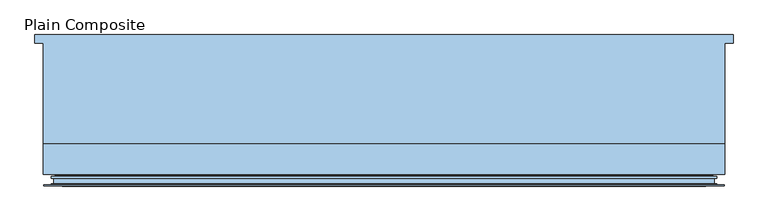
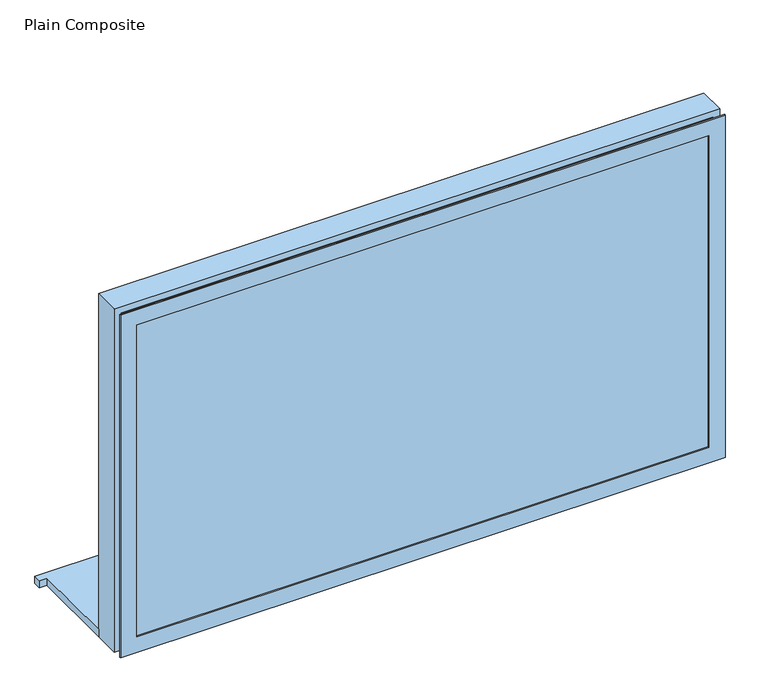
"""IFC4 building model written with IfcOpenShell, lengths in millimetres: window geometry, Plain Composite."""

from ifc_helpers import new_model, si_unit, frame, origin, place, context, project, spatial, polyline, outline, extrude, faceted_brep, source, transform, mapped, element, save


def plain_composite_40e66e8b(model_context):
    return source(origin(), model_context, "Body", "SolidModel", [
        extrude(outline(polyline([(-1315.0, 226.5434322), (735.0, 226.5434322), (735.0, 201.5434322), (710.0, 201.5434322), (710.0, -94.4565678), (-1290.0, -94.4565678), (-1290.0, 201.5434322), (-1315.0, 201.5434322), (-1315.0, 226.5434322)])), frame((0.0, 0.0, 910.0), z_axis=(0.0, 0.0, 1.0), x_axis=(1.0, 0.0, 0.0)), (0.0, 0.0, 1.0), 25.0),
        extrude(outline(polyline([(667.0, -188.4565678), (667.0, -212.4565678), (-1247.0, -212.4565678), (-1247.0, -188.4565678), (667.0, -188.4565678)])), frame((0.0, 0.0, 953.0), z_axis=(0.0, 0.0, 1.0), x_axis=(1.0, 0.0, 0.0)), (0.0, 0.0, 1.0), 1114.0),
        faceted_brep([(-1235.0, -212.4565678, 965.0), (-1235.0, -212.4565678, 2055.0), (-1235.0, -218.4565678, 2055.0), (-1235.0, -218.4565678, 965.0), (-1247.0, -188.4565678, 953.0), (-1247.0, -188.4565678, 2067.0), (-1247.0, -212.4565678, 2067.0), (-1247.0, -212.4565678, 953.0), (-1235.0, -165.4565678, 965.0), (-1235.0, -165.4565678, 2055.0), (-1235.0, -188.4565678, 2055.0), (-1235.0, -188.4565678, 965.0), (-1257.3761005, -168.766907, 942.6238995), (-1257.3761005, -168.766907, 2077.3761005), (-1257.3761005, -165.4565678, 2077.3761005), (-1257.3761005, -165.4565678, 942.6238995), (-1255.3055676, -169.9623297, 944.6944324), (-1255.3055676, -169.9623297, 2075.3055676), (-1255.3055676, -187.3525929, 944.6944324), (-1255.3055676, -187.3525929, 2075.3055676), (-1260.0, -192.0470253, 940.0), (-1260.0, -192.0470253, 2080.0), (-1265.0, -190.0470253, 935.0), (-1265.0, -190.0470253, 2085.0), (-1265.0, -192.0470253, 2085.0), (-1265.0, -192.0470253, 935.0), (-1267.0, -196.0470253, 933.0), (-1267.0, -196.0470253, 2087.0), (-1267.0, -190.0470253, 2087.0), (-1267.0, -190.0470253, 933.0), (-1265.0, -194.0470253, 935.0), (-1265.0, -194.0470253, 2085.0), (-1265.0, -196.0470253, 2085.0), (-1265.0, -196.0470253, 935.0), (-1260.0, -214.4565678, 940.0), (-1260.0, -214.4565678, 2080.0), (-1260.0, -194.0470253, 2080.0), (-1260.0, -194.0470253, 940.0), (-1265.0, -212.4565678, 935.0), (-1265.0, -212.4565678, 2085.0), (-1265.0, -214.4565678, 2085.0), (-1265.0, -214.4565678, 935.0), (-1267.0, -216.4565678, 933.0), (-1267.0, -216.4565678, 2087.0), (-1267.0, -212.4565678, 2087.0), (-1267.0, -212.4565678, 933.0), (-1287.0, -214.4565678, 913.0), (-1287.0, -214.4565678, 2107.0), (-1287.0, -216.4565678, 2107.0), (-1287.0, -216.4565678, 913.0), (-1289.0, -218.4565678, 911.0), (-1289.0, -218.4565678, 2109.0), (-1289.0, -214.4565678, 2109.0), (-1289.0, -214.4565678, 911.0), (655.0, -212.4565678, 2055.0), (655.0, -218.4565678, 2055.0), (667.0, -188.4565678, 2067.0), (667.0, -212.4565678, 2067.0), (655.0, -165.4565678, 2055.0), (655.0, -188.4565678, 2055.0), (677.3761005, -168.766907, 2077.3761005), (677.3761005, -165.4565678, 2077.3761005), (675.3055676, -169.9623297, 2075.3055676), (675.3055676, -187.3525929, 2075.3055676), (680.0, -192.0470253, 2080.0), (685.0, -190.0470253, 2085.0), (685.0, -192.0470253, 2085.0), (687.0, -196.0470253, 2087.0), (687.0, -190.0470253, 2087.0), (685.0, -194.0470253, 2085.0), (685.0, -196.0470253, 2085.0), (680.0, -214.4565678, 2080.0), (680.0, -194.0470253, 2080.0), (685.0, -212.4565678, 2085.0), (685.0, -214.4565678, 2085.0), (687.0, -216.4565678, 2087.0), (687.0, -212.4565678, 2087.0), (707.0, -214.4565678, 2107.0), (707.0, -216.4565678, 2107.0), (709.0, -218.4565678, 2109.0), (709.0, -214.4565678, 2109.0), (655.0, -212.4565678, 965.0), (655.0, -218.4565678, 965.0), (667.0, -188.4565678, 953.0), (667.0, -212.4565678, 953.0), (655.0, -165.4565678, 965.0), (655.0, -188.4565678, 965.0), (677.3761005, -168.766907, 942.6238995), (677.3761005, -165.4565678, 942.6238995), (675.3055676, -169.9623297, 944.6944324), (675.3055676, -187.3525929, 944.6944324), (680.0, -192.0470253, 940.0), (685.0, -190.0470253, 935.0), (685.0, -192.0470253, 935.0), (687.0, -196.0470253, 933.0), (687.0, -190.0470253, 933.0), (685.0, -194.0470253, 935.0), (685.0, -196.0470253, 935.0), (680.0, -214.4565678, 940.0), (680.0, -194.0470253, 940.0), (685.0, -212.4565678, 935.0), (685.0, -214.4565678, 935.0), (687.0, -216.4565678, 933.0), (687.0, -212.4565678, 933.0), (707.0, -214.4565678, 913.0), (707.0, -216.4565678, 913.0), (709.0, -218.4565678, 911.0), (709.0, -214.4565678, 911.0)], [[[0, 1, 2, 3]], [[4, 5, 6, 7]], [[8, 9, 10, 11]], [[12, 13, 14, 15]], [[16, 17, 13, 12]], [[18, 19, 17, 16]], [[20, 21, 19, 18]], [[22, 23, 24, 25]], [[26, 27, 28, 29]], [[30, 31, 32, 33]], [[34, 35, 36, 37]], [[38, 39, 40, 41]], [[42, 43, 44, 45]], [[46, 47, 48, 49]], [[50, 51, 52, 53]], [[1, 54, 55, 2]], [[5, 56, 57, 6]], [[9, 58, 59, 10]], [[13, 60, 61, 14]], [[17, 62, 60, 13]], [[19, 63, 62, 17]], [[21, 64, 63, 19]], [[23, 65, 66, 24]], [[27, 67, 68, 28]], [[31, 69, 70, 32]], [[35, 71, 72, 36]], [[39, 73, 74, 40]], [[43, 75, 76, 44]], [[47, 77, 78, 48]], [[51, 79, 80, 52]], [[54, 81, 82, 55]], [[56, 83, 84, 57]], [[58, 85, 86, 59]], [[60, 87, 88, 61]], [[62, 89, 87, 60]], [[63, 90, 89, 62]], [[64, 91, 90, 63]], [[65, 92, 93, 66]], [[67, 94, 95, 68]], [[69, 96, 97, 70]], [[71, 98, 99, 72]], [[73, 100, 101, 74]], [[75, 102, 103, 76]], [[77, 104, 105, 78]], [[79, 106, 107, 80]], [[51, 50, 106, 79], [3, 2, 55, 82]], [[81, 0, 3, 82]], [[7, 6, 57, 84], [1, 0, 81, 54]], [[83, 4, 7, 84]], [[5, 4, 83, 56], [11, 10, 59, 86]], [[85, 8, 11, 86]], [[15, 14, 61, 88], [9, 8, 85, 58]], [[87, 12, 15, 88]], [[89, 16, 12, 87]], [[90, 18, 16, 89]], [[91, 20, 18, 90]], [[25, 24, 66, 93], [21, 20, 91, 64]], [[92, 22, 25, 93]], [[29, 28, 68, 95], [23, 22, 92, 65]], [[94, 26, 29, 95]], [[27, 26, 94, 67], [33, 32, 70, 97]], [[96, 30, 33, 97]], [[31, 30, 96, 69], [37, 36, 72, 99]], [[98, 34, 37, 99]], [[41, 40, 74, 101], [35, 34, 98, 71]], [[100, 38, 41, 101]], [[45, 44, 76, 103], [39, 38, 100, 73]], [[102, 42, 45, 103]], [[49, 48, 78, 105], [43, 42, 102, 75]], [[104, 46, 49, 105]], [[53, 52, 80, 107], [47, 46, 104, 77]], [[106, 50, 53, 107]]]),
        faceted_brep([(-1290.0, -184.4565678, 910.0), (-1290.0, -184.4565678, 2110.0), (-1290.0, -94.4565678, 2110.0), (-1290.0, -94.4565678, 910.0), (-1265.0, -164.4565678, 935.0), (-1265.0, -164.4565678, 2085.0), (-1267.8108167, -184.4565678, 2087.8108167), (-1267.8108167, -184.4565678, 932.1891833), (-1240.0, -94.4565678, 960.0), (-1240.0, -94.4565678, 2060.0), (-1240.0, -164.4565678, 2060.0), (-1240.0, -164.4565678, 960.0), (710.0, -184.4565678, 2110.0), (710.0, -94.4565678, 2110.0), (685.0, -164.4565678, 2085.0), (687.8108167, -184.4565678, 2087.8108167), (660.0, -94.4565678, 2060.0), (660.0, -164.4565678, 2060.0), (710.0, -184.4565678, 910.0), (710.0, -94.4565678, 910.0), (685.0, -164.4565678, 935.0), (687.8108167, -184.4565678, 932.1891833), (660.0, -94.4565678, 960.0), (660.0, -164.4565678, 960.0)], [[[0, 1, 2, 3]], [[4, 5, 6, 7]], [[8, 9, 10, 11]], [[1, 12, 13, 2]], [[5, 14, 15, 6]], [[9, 16, 17, 10]], [[12, 18, 19, 13]], [[14, 20, 21, 15]], [[16, 22, 23, 17]], [[3, 2, 13, 19], [9, 8, 22, 16]], [[18, 0, 3, 19]], [[1, 0, 18, 12], [7, 6, 15, 21]], [[20, 4, 7, 21]], [[5, 4, 20, 14], [11, 10, 17, 23]], [[22, 8, 11, 23]]]),
    ])


if __name__ == "__main__":
    model = new_model("IFC4")
    model_context = context("Model", 3, world=origin())
    ifc_project = project(units=[si_unit("LENGTHUNIT", "METRE", prefix="MILLI")], contexts=[model_context])
    site = spatial("IfcSite", under=ifc_project)
    building = spatial("IfcBuilding", under=site)
    placement = place(None, origin())
    plain_composite_shape = plain_composite_40e66e8b(model_context)
    element("IfcWindow", 1, ObjectType="Plain Composite", at=placement, inside=building, context=model_context, shape_type="MappedRepresentation", body=[
        mapped(plain_composite_shape, transform((0.0, 0.0, 0.0), x_axis=(1.0, 0.0, 0.0), y_axis=(0.0, 1.0, 0.0), z_axis=(0.0, 0.0, 1.0))),
    ])
    save(model, "model.ifc")
